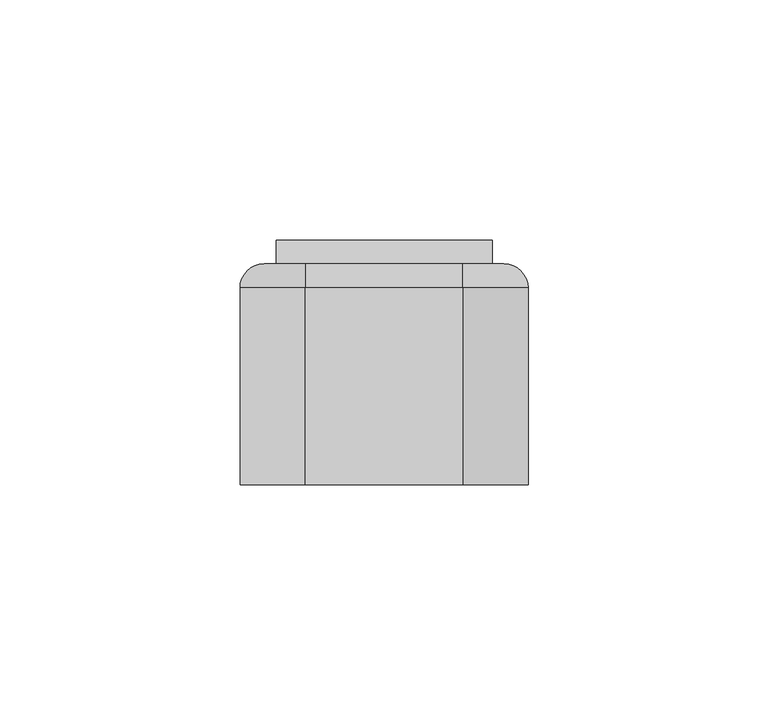
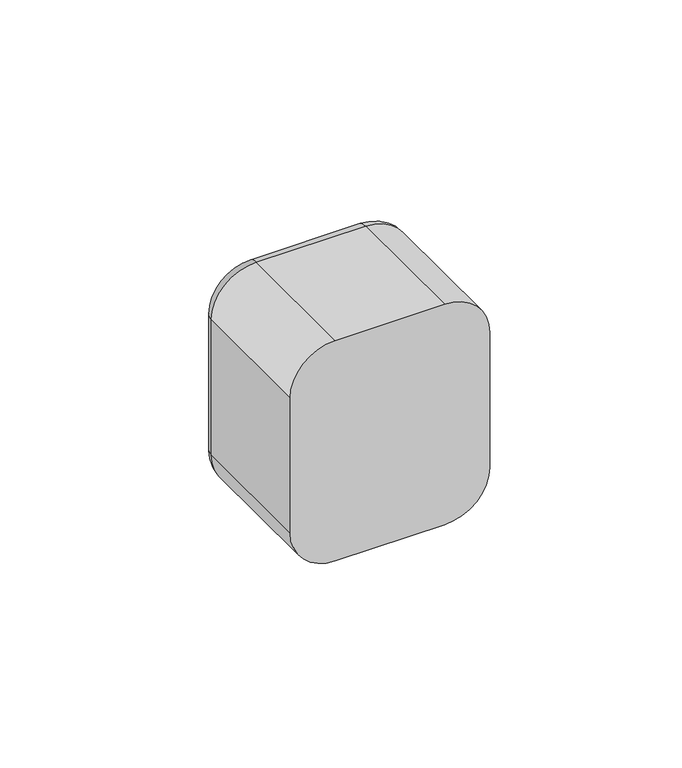
"""IFC4 building model written with IfcOpenShell, lengths in millimetres: switching device geometry."""

from ifc_helpers import new_model, si_unit, point, frame, origin, place, context, project, spatial, polyline, circle_curve, ellipse_curve, trimmed, outline, extrude, source, transform, mapped, element, save
from ifc_brep_helpers import plane_surface, cylinder_surface, revolved_surface, advanced_brep


def switching_device_752c9ba3(model_context):
    return source(origin(), model_context, "Body", "SolidModel", [
        advanced_brep(
        [(16.4328665, 46.0, 30.0), (25.0, 46.0, 21.4328665), (25.0, 46.0, -21.4328665), (16.4328665, 46.0, -30.0), (-16.4328665, 46.0, -30.0), (-25.0, 46.0, -21.4328665), (-25.0, 46.0, 21.4328665), (-16.4328665, 46.0, 30.0), (22.5, 46.0, 22.5), (-22.5, 46.0, 22.5), (-22.5, 46.0, -22.5), (22.5, 46.0, -22.5), (-16.4328665, 0.0, 35.0), (-30.0, 0.0, 21.4328665), (-30.0, 0.0, -21.4328665), (-16.4328665, 0.0, -35.0), (16.4328665, 0.0, -35.0), (30.0, 0.0, -21.4328665), (30.0, 0.0, 21.4328665), (16.4328665, 0.0, 35.0), (22.5, 2.0, -22.5), (22.5, 2.0, 22.5), (-22.5, 2.0, -22.5), (-22.5, 2.0, 22.5), (-30.0, 41.0, 21.4328665), (-30.0, 41.0, -21.4328665), (-16.4328665, 41.0, -35.0), (16.4328665, 41.0, -35.0), (30.0, 41.0, -21.4328665), (30.0, 41.0, 21.4328665), (16.4328665, 41.0000072, 35.0), (-16.4328665, 41.0, 35.0)],
        [
            (0, 1, circle_curve(frame((16.4328665, 46.0, 21.4328665), z_axis=(0.0, 1.0, 0.0), x_axis=(0.0, 0.0, 1.0)), 8.5671335)),
            (1, 2),
            (2, 3, circle_curve(frame((16.4328665, 46.0, -21.4328665), z_axis=(0.0, 1.0, 0.0), x_axis=(1.0, 0.0, 0.0)), 8.5671335)),
            (3, 4),
            (4, 5, circle_curve(frame((-16.4328665, 46.0, -21.4328665), z_axis=(0.0, 1.0, 0.0), x_axis=(0.0, 0.0, -1.0)), 8.5671335)),
            (5, 6),
            (6, 7, circle_curve(frame((-16.4328665, 46.0, 21.4328665), z_axis=(0.0, 1.0, 0.0), x_axis=(-1.0, 0.0, 0.0)), 8.5671335)),
            (7, 0),
            (8, 9),
            (9, 10),
            (10, 11),
            (11, 8),
            (12, 13, circle_curve(frame((-16.4328665, 0.0, 21.4328665), z_axis=(0.0, -1.0, 0.0), x_axis=(1.0, 0.0, 0.0)), 13.5671335)),
            (13, 14),
            (14, 15, circle_curve(frame((-16.4328665, 0.0, -21.4328665), z_axis=(0.0, -1.0, 0.0), x_axis=(1.0, 0.0, 0.0)), 13.5671335)),
            (15, 16),
            (16, 17, circle_curve(frame((16.4328665, 0.0, -21.4328665), z_axis=(0.0, -1.0, 0.0), x_axis=(1.0, 0.0, 0.0)), 13.5671335)),
            (17, 18),
            (18, 19, circle_curve(frame((16.4328665, 0.0, 21.4328665), z_axis=(0.0, -1.0, 0.0), x_axis=(1.0, 0.0, 0.0)), 13.5671335)),
            (19, 12),
            (11, 20),
            (20, 21),
            (21, 8),
            (10, 22),
            (22, 20),
            (9, 23),
            (23, 22),
            (21, 23),
            (13, 24),
            (24, 25),
            (25, 14),
            (15, 26),
            (26, 27),
            (27, 16),
            (17, 28),
            (28, 29),
            (29, 18),
            (19, 30),
            (30, 31),
            (31, 12),
            (31, 24, circle_curve(frame((-16.4328665, 41.0, 21.4328665), z_axis=(0.0, -1.0, 0.0), x_axis=(1.0, 0.0, 0.0)), 13.5671335)),
            (25, 26, circle_curve(frame((-16.4328665, 41.0, -21.4328665), z_axis=(0.0, -1.0, 0.0), x_axis=(1.0, 0.0, 0.0)), 13.5671335)),
            (27, 28, circle_curve(frame((16.4328665, 41.0, -21.4328665), z_axis=(0.0, -1.0, 0.0), x_axis=(1.0, 0.0, 0.0)), 13.5671335)),
            (29, 30, circle_curve(frame((16.4328665, 41.0, 21.4328665), z_axis=(0.0, -1.0, 0.0), x_axis=(1.0, 0.0, 0.0)), 13.5671335)),
            (29, 1, circle_curve(frame((25.0, 41.0, 21.4328665), z_axis=(0.0, 0.0, 1.0), x_axis=(0.0, 1.0, 0.0)), 5.0)),
            (0, 30, circle_curve(frame((16.4328665, 41.0, 30.0), z_axis=(1.0, 0.0, 0.0), x_axis=(0.0, 1.0, 0.0)), 5.0)),
            (28, 2, circle_curve(frame((25.0, 41.0, -21.4328665), z_axis=(0.0, 0.0, 1.0), x_axis=(0.0, 1.0, 0.0)), 5.0)),
            (27, 3, circle_curve(frame((16.4328665, 41.0, -30.0), z_axis=(1.0, 0.0, 0.0), x_axis=(0.0, 1.0, 0.0)), 5.0)),
            (26, 4, circle_curve(frame((-16.4328665, 41.0, -30.0), z_axis=(1.0, 0.0, 0.0), x_axis=(0.0, 1.0, 0.0)), 5.0)),
            (25, 5, circle_curve(frame((-25.0, 41.0, -21.4328665), z_axis=(0.0, 0.0, -1.0), x_axis=(0.0, 1.0, 0.0)), 5.0)),
            (24, 6, circle_curve(frame((-25.0, 41.0, 21.4328665), z_axis=(0.0, 0.0, -1.0), x_axis=(0.0, 1.0, 0.0)), 5.0)),
            (31, 7, circle_curve(frame((-16.4328665, 41.0, 30.0), z_axis=(-1.0, 0.0, 0.0), x_axis=(0.0, 1.0, 0.0)), 5.0)),
        ],
        [
            plane_surface(frame((22.5, 46.0, 6.9412233), z_axis=(0.0, 1.0, 0.0), x_axis=(0.0, 0.0, 1.0))),
            plane_surface(frame((22.5, 0.0, 6.9412233), z_axis=(0.0, -1.0, 0.0), x_axis=(0.0, 0.0, -1.0))),
            plane_surface(frame((22.5, 0.0, 22.5), z_axis=(-1.0, 0.0, 0.0), x_axis=(0.0, 1.0, 0.0))),
            plane_surface(frame((22.5, 0.0, -22.5), z_axis=(0.0, 0.0, 1.0), x_axis=(0.0, 1.0, 0.0))),
            plane_surface(frame((-22.5, 0.0, -22.5), z_axis=(1.0, 0.0, 0.0), x_axis=(0.0, 1.0, 0.0))),
            plane_surface(frame((-22.5, 0.0, 22.5), z_axis=(0.0, 0.0, -1.0), x_axis=(0.0, 1.0, 0.0))),
            plane_surface(frame((-30.0, 0.0, 21.4328665), z_axis=(-1.0, 0.0, 0.0), x_axis=(0.0, 1.0, 0.0))),
            plane_surface(frame((-16.4328665, 0.0, -35.0), z_axis=(0.0, 0.0, -1.0), x_axis=(0.0, 1.0, 0.0))),
            plane_surface(frame((30.0, 0.0, -21.4328665), z_axis=(1.0, 0.0, 0.0), x_axis=(0.0, 1.0, 0.0))),
            plane_surface(frame((16.4328665, 0.0, 35.0), z_axis=(0.0, 0.0, 1.0), x_axis=(0.0, 1.0, 0.0))),
            cylinder_surface(frame((-16.4328665, 0.0, 21.4328665), z_axis=(0.0, -1.0, 0.0), x_axis=(1.0, 0.0, 0.0)), 13.5671335),
            cylinder_surface(frame((-16.4328665, 0.0, -21.4328665), z_axis=(0.0, -1.0, 0.0), x_axis=(1.0, 0.0, 0.0)), 13.5671335),
            cylinder_surface(frame((16.4328665, 0.0, -21.4328665), z_axis=(0.0, -1.0, 0.0), x_axis=(1.0, 0.0, 0.0)), 13.5671335),
            cylinder_surface(frame((16.4328665, 0.0, 21.4328665), z_axis=(0.0, -1.0, 0.0), x_axis=(1.0, 0.0, 0.0)), 13.5671335),
            plane_surface(frame((-22.5, 2.0, 31.0), z_axis=(0.0, 1.0, 0.0), x_axis=(0.0, 0.0, 1.0))),
            revolved_surface(trimmed(ellipse_curve(frame((16.4328665, 41.0, 30.0), z_axis=(-1.0, 0.0, 0.0), x_axis=(0.0, 1.0, 0.0)), 5.0, 5.0), [point((16.4328665, 41.0, 35.0))], [point((16.4328665, 46.0, 30.0))], True, "CARTESIAN"), (16.4328665, 46.0, 21.4328665), (0.0, 1.0, 0.0)),
            cylinder_surface(frame((25.0, 41.0, 21.4328665), z_axis=(0.0, 0.0, -1.0), x_axis=(0.0, 1.0, 0.0)), 5.0),
            revolved_surface(trimmed(ellipse_curve(frame((25.0, 41.0, -21.4328665), z_axis=(0.0, 0.0, 1.0), x_axis=(0.0, 1.0, 0.0)), 5.0, 5.0), [point((30.0, 41.0, -21.4328665))], [point((25.0, 46.0, -21.4328665))], True, "CARTESIAN"), (16.4328665, 46.0, -21.4328665), (0.0, 1.0, 0.0)),
            cylinder_surface(frame((16.4328665, 41.0, -30.0), z_axis=(-1.0, 0.0, 0.0), x_axis=(0.0, 1.0, 0.0)), 5.0),
            revolved_surface(trimmed(ellipse_curve(frame((-16.4328665, 41.0, -30.0), z_axis=(1.0, 0.0, 0.0), x_axis=(0.0, 1.0, 0.0)), 5.0, 5.0), [point((-16.4328665, 41.0, -35.0))], [point((-16.4328665, 46.0, -30.0))], True, "CARTESIAN"), (-16.4328665, 46.0, -21.4328665), (0.0, 1.0, 0.0)),
            cylinder_surface(frame((-25.0, 41.0, -21.4328665), z_axis=(0.0, 0.0, 1.0), x_axis=(0.0, 1.0, 0.0)), 5.0),
            revolved_surface(trimmed(ellipse_curve(frame((-25.0, 41.0, 21.4328665), z_axis=(0.0, 0.0, -1.0), x_axis=(0.0, 1.0, 0.0)), 5.0, 5.0), [point((-30.0, 41.0, 21.4328665))], [point((-25.0, 46.0, 21.4328665))], True, "CARTESIAN"), (-16.4328665, 46.0, 21.4328665), (0.0, 1.0, 0.0)),
            cylinder_surface(frame((-16.4328665, 41.0, 30.0), z_axis=(1.0, 0.0, 0.0), x_axis=(0.0, 1.0, 0.0)), 5.0),
        ],
        [
            (0, [[1, 2, 3, 4, 5, 6, 7, 8], [9, 10, 11, 12]]),
            (1, [[13, 14, 15, 16, 17, 18, 19, 20]]),
            (2, [[-12, 21, 22, 23]]),
            (3, [[-11, 24, 25, -21]]),
            (4, [[-10, 26, 27, -24]]),
            (5, [[-9, -23, 28, -26]]),
            (6, [[-14, 29, 30, 31]]),
            (7, [[-16, 32, 33, 34]]),
            (8, [[-18, 35, 36, 37]]),
            (9, [[-20, 38, 39, 40]]),
            (10, [[-13, -40, 41, -29]]),
            (11, [[-15, -31, 42, -32]]),
            (12, [[-17, -34, 43, -35]]),
            (13, [[-19, -37, 44, -38]]),
            (14, [[-22, -25, -27, -28]]),
            (15, [[45, -1, 46, -44]]),
            (16, [[-45, -36, 47, -2]]),
            (17, [[-47, -43, 48, -3]]),
            (18, [[-48, -33, 49, -4]]),
            (19, [[-49, -42, 50, -5]]),
            (20, [[-50, -30, 51, -6]]),
            (21, [[-51, -41, 52, -7]]),
            (22, [[-46, -8, -52, -39]]),
        ],
    ),
        extrude(outline(polyline([(46.0, -22.5), (46.0, 22.5), (50.9850961, 21.9408026), (46.0, -22.5)])), frame((-22.5, 0.0, 0.0), z_axis=(1.0, 0.0, 0.0), x_axis=(0.0, 1.0, 0.0)), (0.0, 0.0, 1.0), 45.0),
        extrude(outline(polyline([(22.5, 2.0), (-22.5, 2.0), (-22.5, 38.0), (22.5, 38.0), (22.5, 2.0)])), frame((0.0, 0.0, -22.5), z_axis=(0.0, 0.0, 1.0), x_axis=(1.0, 0.0, 0.0)), (0.0, 0.0, 1.0), 45.0),
        extrude(outline(polyline([(22.5, 38.0), (-22.5, 38.0), (-22.5, 46.0), (22.5, 46.0), (22.5, 38.0)])), frame((0.0, 0.0, -22.5), z_axis=(0.0, 0.0, 1.0), x_axis=(1.0, 0.0, 0.0)), (0.0, 0.0, 1.0), 45.0),
    ])


if __name__ == "__main__":
    model = new_model("IFC4")
    model_context = context("Model", 3, world=origin())
    ifc_project = project(units=[si_unit("LENGTHUNIT", "METRE", prefix="MILLI")], contexts=[model_context])
    site = spatial("IfcSite", under=ifc_project)
    building = spatial("IfcBuilding", under=site)
    placement = place(None, origin())
    switching_device_shape = switching_device_752c9ba3(model_context)
    element("IfcSwitchingDevice", 1, at=placement, inside=building, context=model_context, shape_type="MappedRepresentation", body=[
        mapped(switching_device_shape, transform((0.0, 0.0, 0.0), x_axis=(1.0, 0.0, 0.0), y_axis=(0.0, 1.0, 0.0), z_axis=(0.0, 0.0, 1.0))),
    ])
    save(model, "model.ifc")
